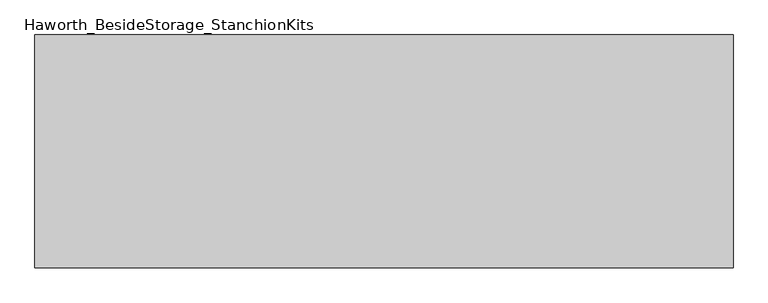
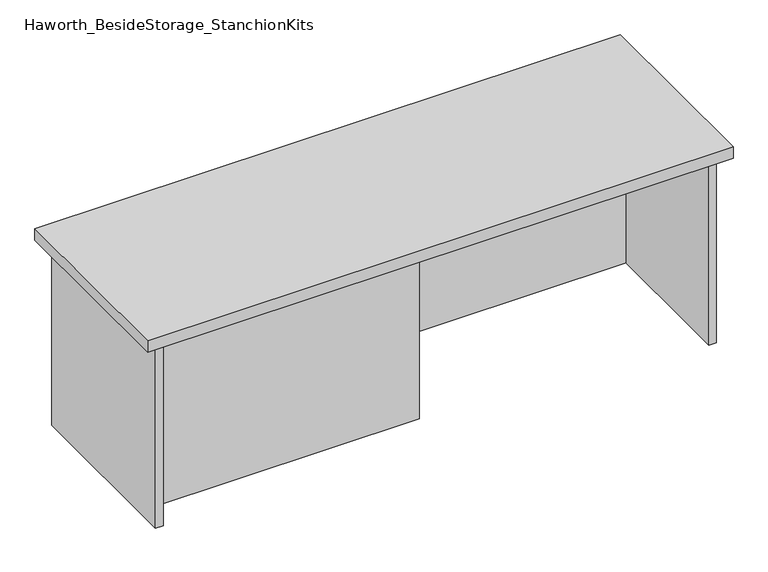
"""IFC4 building model written with IfcOpenShell, lengths in millimetres: furniture geometry, Haworth_BesideStorage_StanchionKits."""

from ifc_helpers import new_model, si_unit, frame, origin, place, context, project, spatial, polyline, outline, extrude, source, transform, mapped, element, save


def haworth_besidestorage_stanchionkits_5a4c30b5(model_context):
    return source(origin(), model_context, "Body", "SweptSolid", [
        extrude(outline(polyline([(771.525, 0.0), (771.525, -406.4), (-447.675, -406.4), (-447.675, 0.0), (771.525, 0.0)])), frame((0.0, 0.0, 838.2), z_axis=(0.0, 0.0, 1.0), x_axis=(1.0, 0.0, 0.0)), (0.0, 0.0, 1.0), 25.4),
        extrude(outline(polyline([(161.925, -76.2), (730.25, -76.2), (730.25, -92.075), (161.925, -92.075), (161.925, -76.2)])), frame((0.0, 0.0, 431.8), z_axis=(0.0, 0.0, 1.0), x_axis=(1.0, 0.0, 0.0)), (0.0, 0.0, 1.0), 406.4),
        extrude(outline(polyline([(161.925, -314.325), (161.925, -330.2), (-406.4, -330.2), (-406.4, -314.325), (161.925, -314.325)])), frame((0.0, 0.0, 431.8), z_axis=(0.0, 0.0, 1.0), x_axis=(1.0, 0.0, 0.0)), (0.0, 0.0, 1.0), 406.4),
        extrude(outline(polyline([(746.125, -390.525), (730.25, -390.525), (730.25, -15.875), (746.125, -15.875), (746.125, -390.525)])), frame((0.0, 0.0, 431.8), z_axis=(0.0, 0.0, 1.0), x_axis=(1.0, 0.0, 0.0)), (0.0, 0.0, 1.0), 406.4),
        extrude(outline(polyline([(-406.4, -390.525), (-422.275, -390.525), (-422.275, -15.875), (-406.4, -15.875), (-406.4, -390.525)])), frame((0.0, 0.0, 431.8), z_axis=(0.0, 0.0, 1.0), x_axis=(1.0, 0.0, 0.0)), (0.0, 0.0, 1.0), 406.4),
    ])


if __name__ == "__main__":
    model = new_model("IFC4")
    model_context = context("Model", 3, world=origin())
    ifc_project = project(units=[si_unit("LENGTHUNIT", "METRE", prefix="MILLI")], contexts=[model_context])
    site = spatial("IfcSite", under=ifc_project)
    building = spatial("IfcBuilding", under=site)
    placement = place(None, origin())
    haworth_besidestorage_stanchionkits_shape = haworth_besidestorage_stanchionkits_5a4c30b5(model_context)
    element("IfcFurniture", 1, ObjectType="Haworth_BesideStorage_StanchionKits", at=placement, inside=building, context=model_context, shape_type="MappedRepresentation", body=[
        mapped(haworth_besidestorage_stanchionkits_shape, transform((0.0, 0.0, 0.0), x_axis=(1.0, 0.0, 0.0), y_axis=(0.0, 1.0, 0.0), z_axis=(0.0, 0.0, 1.0))),
    ])
    save(model, "model.ifc")
